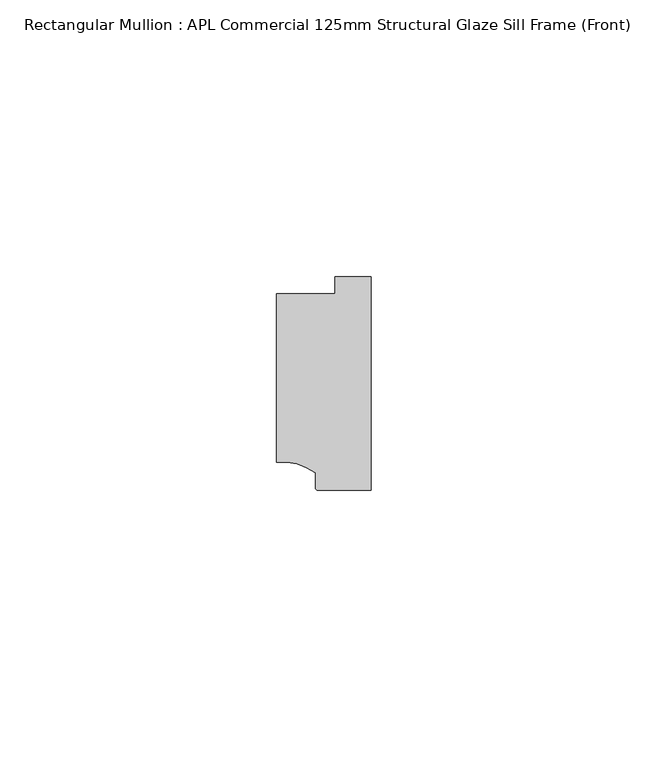
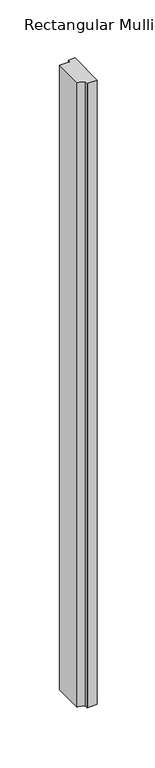
"""IFC4 building model written with IfcOpenShell, lengths in millimetres: member geometry, Rectangular Mullion : APL Commercial 125mm Structural Glaze Sill Frame (Front)."""

import ifcopenshell
import ifcopenshell.guid

model = None  # the IFC model being written
_history = None  # IfcOwnerHistory: only IFC2X3 demands one
_inside = {}  # id of a spatial element -> (the spatial element, [elements in it])
_under = {}  # id of a project, library or spatial element -> (it, [spatial elements below it])
_declared = {}  # id of a project -> (the project, [libraries it declares])
_typed = {}  # id of a type object -> (the type object, [elements of that type])
_made_of = {}  # id of a material, layer set ... -> (it, [elements and type objects made of it])


def new_model(schema):
    """Start an empty IFC model of exactly this schema.

    Asked for "IFC4X3", IfcOpenShell would pick the latest addendum, in which some entities
    have other attributes; the version numbers below select the first issue.
    IFC2X3 requires an IfcOwnerHistory on every rooted entity: one is made here for all.
    """
    global model, _history
    if schema == "IFC4X3":
        model = ifcopenshell.file(schema_version=(4, 3, 0, 0))
    else:
        model = ifcopenshell.file(schema=schema)
    _inside.clear()
    _under.clear()
    _declared.clear()
    _typed.clear()
    _made_of.clear()
    _history = None
    if model.schema == "IFC2X3":
        org = make("IfcOrganization", Name="unknown")
        user = make(
            "IfcPersonAndOrganization",
            ThePerson=make("IfcPerson", FamilyName="unknown"),
            TheOrganization=org,
        )
        app = make(
            "IfcApplication",
            ApplicationDeveloper=org,
            Version="unknown",
            ApplicationFullName="unknown",
            ApplicationIdentifier="unknown",
        )
        _history = make(
            "IfcOwnerHistory",
            OwningUser=user,
            OwningApplication=app,
            ChangeAction="ADDED",
            CreationDate=0,
        )
    return model


def make(cls, **values):
    """One entity of the class cls with the attributes given. An attribute that is None is left unset."""
    return model.create_entity(
        cls, **{name: value for name, value in values.items() if value is not None}
    )


def rooted(cls, **values):
    """An entity with a GlobalId (a new one), such as an element, a storey or a relation."""
    return make(cls, GlobalId=ifcopenshell.guid.new(), OwnerHistory=_history, **values)


def si_unit(unit_type, name, prefix=None):
    """IfcSIUnit, for example si_unit("LENGTHUNIT", "METRE", prefix="MILLI")."""
    return make("IfcSIUnit", UnitType=unit_type, Prefix=prefix, Name=name)


def assignment(units):
    """IfcUnitAssignment: the units of a project."""
    return None if units is None else make("IfcUnitAssignment", Units=units)


def point(xyz):
    """IfcCartesianPoint."""
    return None if xyz is None else make("IfcCartesianPoint", Coordinates=xyz)


def direction(xyz):
    """IfcDirection."""
    return None if xyz is None else make("IfcDirection", DirectionRatios=xyz)


def frame(location, z_axis=None, x_axis=None):
    """IfcAxis2Placement3D, a coordinate frame: its origin and axes. An axis left out is left unset."""
    return make(
        "IfcAxis2Placement3D",
        Location=point(location),
        Axis=direction(z_axis),
        RefDirection=direction(x_axis),
    )


def frame_2d(location, x_axis=None):
    """IfcAxis2Placement2D, a coordinate frame in the plane: its origin and x axis."""
    return make(
        "IfcAxis2Placement2D", Location=point(location), RefDirection=direction(x_axis)
    )


def origin():
    """The frame at (0, 0, 0) with its axes left unset."""
    return frame((0.0, 0.0, 0.0))


def place(relative_to, where):
    """IfcLocalPlacement: puts the frame where relative to a parent placement (None: the world)."""
    return make(
        "IfcLocalPlacement", PlacementRelTo=relative_to, RelativePlacement=where
    )


def context(
    kind, dimensions, precision=None, world=None, true_north=None, identifier=None
):
    """IfcGeometricRepresentationContext, for example the 3D "Model" context."""
    return make(
        "IfcGeometricRepresentationContext",
        ContextIdentifier=identifier,
        ContextType=kind,
        CoordinateSpaceDimension=dimensions,
        Precision=precision,
        WorldCoordinateSystem=world,
        TrueNorth=true_north,
    )


def project(units=None, contexts=None):
    """IfcProject with its units and contexts."""
    return rooted(
        "IfcProject",
        Name="project",
        RepresentationContexts=contexts,
        UnitsInContext=assignment(units),
    )


def spatial(cls, under=None, at=None, **own):
    """A site, building, storey or space (cls), placed at a placement, below another one or the project."""
    s = rooted(cls, ObjectPlacement=at, **own)
    if under is not None:
        _under.setdefault(under.id(), (under, []))[1].append(s)
    return s


def polyline(points):
    """IfcPolyline through the points."""
    return make("IfcPolyline", Points=[point(p) for p in points])


def circle_curve(where, radius):
    """IfcCircle in the frame where."""
    return make("IfcCircle", Position=where, Radius=radius)


def trimmed(basis, trim1, trim2, sense, master):
    """IfcTrimmedCurve: the piece of a basis curve between two trims."""
    return make(
        "IfcTrimmedCurve",
        BasisCurve=basis,
        Trim1=trim1,
        Trim2=trim2,
        SenseAgreement=sense,
        MasterRepresentation=master,
    )


def segment(curve, same_sense, transition):
    """IfcCompositeCurveSegment."""
    return make(
        "IfcCompositeCurveSegment",
        Transition=transition,
        SameSense=same_sense,
        ParentCurve=curve,
    )


def composite_curve(segments, self_intersect=None):
    """IfcCompositeCurve: segments joined end to end."""
    return make("IfcCompositeCurve", Segments=segments, SelfIntersect=self_intersect)


def outline(outer, holes=None, kind="AREA"):
    """IfcArbitraryClosedProfileDef: a profile drawn as a closed curve; with holes, ...WithVoids."""
    if holes is None:
        return make("IfcArbitraryClosedProfileDef", ProfileType=kind, OuterCurve=outer)
    return make(
        "IfcArbitraryProfileDefWithVoids",
        ProfileType=kind,
        OuterCurve=outer,
        InnerCurves=holes,
    )


def extrude(swept, where, along, depth):
    """IfcExtrudedAreaSolid: the profile swept, set in the frame where, extruded along a direction by depth."""
    return make(
        "IfcExtrudedAreaSolid",
        SweptArea=swept,
        Position=where,
        ExtrudedDirection=direction(along),
        Depth=depth,
    )


def shape(context_of_items, identifier, shape_type, items):
    """IfcShapeRepresentation: the items that make up one representation, for example the "Body"."""
    return make(
        "IfcShapeRepresentation",
        ContextOfItems=context_of_items,
        RepresentationIdentifier=identifier,
        RepresentationType=shape_type,
        Items=items,
    )


def source(mapping_origin, context_of_items, identifier, shape_type, items):
    """IfcRepresentationMap: a shape defined once, which mapped items show again and again."""
    return make(
        "IfcRepresentationMap",
        MappingOrigin=mapping_origin,
        MappedRepresentation=shape(context_of_items, identifier, shape_type, items),
    )


def transform(
    local_origin,
    x_axis=None,
    y_axis=None,
    z_axis=None,
    scale=None,
    scale2=None,
    scale3=None,
    uniform=True,
):
    """IfcCartesianTransformationOperator3D, or its non-uniform kind. x_axis, y_axis, z_axis: its Axis1, 2, 3."""
    if uniform:
        return make(
            "IfcCartesianTransformationOperator3D",
            Axis1=direction(x_axis),
            Axis2=direction(y_axis),
            LocalOrigin=point(local_origin),
            Scale=scale,
            Axis3=direction(z_axis),
        )
    return make(
        "IfcCartesianTransformationOperator3DnonUniform",
        Axis1=direction(x_axis),
        Axis2=direction(y_axis),
        LocalOrigin=point(local_origin),
        Scale=scale,
        Axis3=direction(z_axis),
        Scale2=scale2,
        Scale3=scale3,
    )


def mapped(mapping_source, mapping_target):
    """IfcMappedItem: shows the shape of a source again, moved by a transform."""
    return make(
        "IfcMappedItem", MappingSource=mapping_source, MappingTarget=mapping_target
    )


def made_of(thing, what):
    """Note that an element or type object is made of a material, layer set ...; save() writes the relation."""
    if what is not None:
        _made_of.setdefault(what.id(), (what, []))[1].append(thing)
    return thing


def element(
    cls,
    number,
    at=None,
    inside=None,
    cuts=None,
    type_object=None,
    material=None,
    context=None,
    identifier="Body",
    shape_type=None,
    held_by="IfcProductDefinitionShape",
    body=None,
    shapes=None,
    **own,
):
    """One element of the class cls, such as IfcWall. Its Tag is "e" and its number.

    at: its placement. inside: the storey or other place that contains it. cuts: it is an
    opening in that element (IfcRelVoidsElement). A single representation is given by context,
    identifier, shape_type and body (its items); several are given by shapes. held_by: the class
    of the entity that holds the representations. save() writes the other relations.
    """
    e = rooted(cls, Tag="e%d" % number, ObjectPlacement=at, **own)
    if body is not None:
        shapes = [shape(context, identifier, shape_type, body)]
    if shapes is not None:
        e.Representation = make(held_by, Representations=shapes)
    if inside is not None:
        _inside.setdefault(inside.id(), (inside, []))[1].append(e)
    if cuts is not None:
        rooted(
            "IfcRelVoidsElement", RelatingBuildingElement=cuts, RelatedOpeningElement=e
        )
    if type_object is not None:
        _typed.setdefault(type_object.id(), (type_object, []))[1].append(e)
    return made_of(e, material)


def aggregate(whole, parts):
    """IfcRelAggregates: a whole, such as a stair, and the parts it consists of."""
    return rooted("IfcRelAggregates", RelatingObject=whole, RelatedObjects=parts)


def save(model, path):
    """Write the relations noted so far, then the file.

    IfcRelAggregates (storeys below a building ...), IfcRelContainedInSpatialStructure (elements
    in a storey), IfcRelDefinesByType, IfcRelAssociatesMaterial and IfcRelDeclares: one each for
    every whole, place, type object, material and project.
    """
    for whole, parts in _under.values():
        aggregate(whole, parts)
    for where, things in _inside.values():
        rooted(
            "IfcRelContainedInSpatialStructure",
            RelatedElements=things,
            RelatingStructure=where,
        )
    for kind, things in _typed.values():
        rooted("IfcRelDefinesByType", RelatedObjects=things, RelatingType=kind)
    for what, things in _made_of.values():
        rooted("IfcRelAssociatesMaterial", RelatedObjects=things, RelatingMaterial=what)
    for by, libraries in _declared.values():
        rooted("IfcRelDeclares", RelatingContext=by, RelatedDefinitions=libraries)
    model.write(path)


def rectangular_mullion_apl_commercial_125mm_structural_glaze_e4b6b302(model_context):
    return source(origin(), model_context, "Body", "SweptSolid", [
        extrude(outline(composite_curve([segment(polyline([(-16.999942, -15.3793144), (-16.999942, 15.0004332), (-6.5000029, 15.0004332), (-6.5000029, 18.0281616), (0.0, 18.0281616), (0.0, -20.49978), (-9.5000029, -20.49978)]), True, "CONTINUOUS"), segment(trimmed(circle_curve(frame_2d((-9.5000029, -19.99978)), 0.5), [point((-9.5000029, -20.49978))], [point((-10.0, -19.9980675))], False, "CARTESIAN"), True, "CONTINUOUS"), segment(polyline([(-10.0, -19.9980675), (-10.0, -17.3120901)]), True, "CONTINUOUS"), segment(trimmed(circle_curve(frame_2d((-16.1098048, -25.7977481)), 10.4563907), [point((-10.0, -17.3120901))], [point((-16.999942, -15.3793144))], True, "CARTESIAN"), True, "CONTINUOUS")], self_intersect=False)), frame((0.0, 0.0, -657.1973514), z_axis=(0.0, 0.0, 1.0), x_axis=(1.0, 0.0, 0.0)), (0.0, 0.0, 1.0), 657.1973514),
    ])


if __name__ == "__main__":
    model = new_model("IFC4")
    model_context = context("Model", 3, world=origin())
    ifc_project = project(units=[si_unit("LENGTHUNIT", "METRE", prefix="MILLI")], contexts=[model_context])
    site = spatial("IfcSite", under=ifc_project)
    building = spatial("IfcBuilding", under=site)
    placement = place(None, origin())
    rectangular_mullion_apl_commercial_125mm_structural_glaze_shape = rectangular_mullion_apl_commercial_125mm_structural_glaze_e4b6b302(model_context)
    element("IfcMember", 1, ObjectType="Rectangular Mullion : APL Commercial 125mm Structural Glaze Sill Frame (Front)", at=placement, inside=building, context=model_context, shape_type="MappedRepresentation", body=[
        mapped(rectangular_mullion_apl_commercial_125mm_structural_glaze_shape, transform((0.0, 0.0, 0.0), x_axis=(1.0, 0.0, 0.0), y_axis=(0.0, 1.0, 0.0), z_axis=(0.0, 0.0, 1.0))),
    ])
    save(model, "model.ifc")
